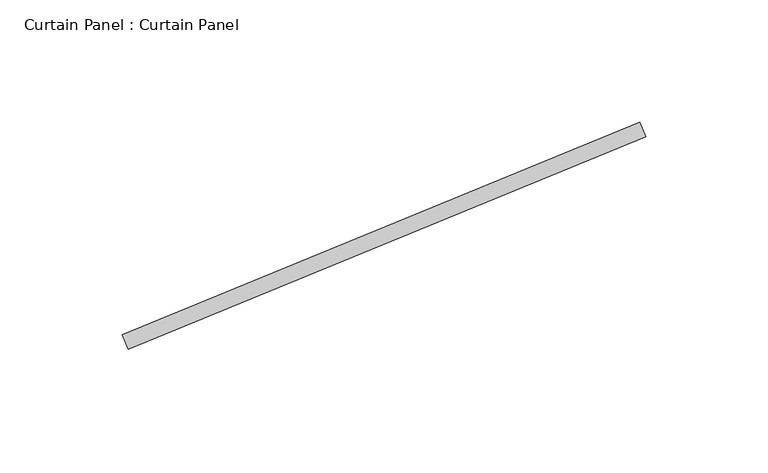
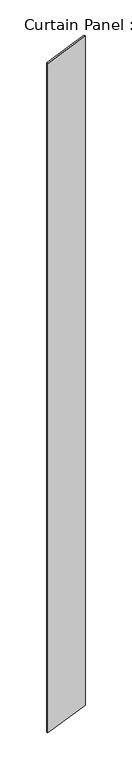
"""IFC4 building model written with IfcOpenShell, lengths in millimetres: plate geometry, Curtain Panel : Curtain Panel."""

from ifc_helpers import new_model, si_unit, origin, origin_with_axes, place, context, project, spatial, polyline, outline, extrude, source, transform, mapped, element, save


def curtain_panel_curtain_panel_6f953ae9(model_context):
    return source(origin(), model_context, "Body", "SweptSolid", [
        extrude(outline(polyline([(10517.8852183, 93004.9823695), (10306.5076336, 92918.1701394), (10304.0952336, 92924.0440501), (10515.4728183, 93010.8562802), (10517.8852183, 93004.9823695)])), origin_with_axes(), (0.0, 0.0, 1.0), 3048.0),
    ])


if __name__ == "__main__":
    model = new_model("IFC4")
    model_context = context("Model", 3, world=origin())
    ifc_project = project(units=[si_unit("LENGTHUNIT", "METRE", prefix="MILLI")], contexts=[model_context])
    site = spatial("IfcSite", under=ifc_project)
    building = spatial("IfcBuilding", under=site)
    placement = place(None, origin())
    curtain_panel_curtain_panel_shape = curtain_panel_curtain_panel_6f953ae9(model_context)
    element("IfcPlate", 1, ObjectType="Curtain Panel : Curtain Panel", at=placement, inside=building, context=model_context, shape_type="MappedRepresentation", body=[
        mapped(curtain_panel_curtain_panel_shape, transform((0.0, 0.0, 0.0), x_axis=(1.0, 0.0, 0.0), y_axis=(0.0, 1.0, 0.0), z_axis=(0.0, 0.0, 1.0))),
    ])
    save(model, "model.ifc")
